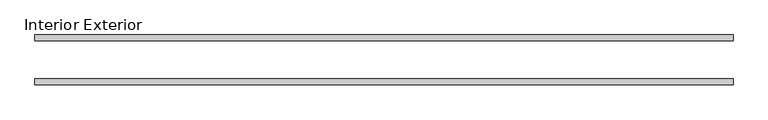
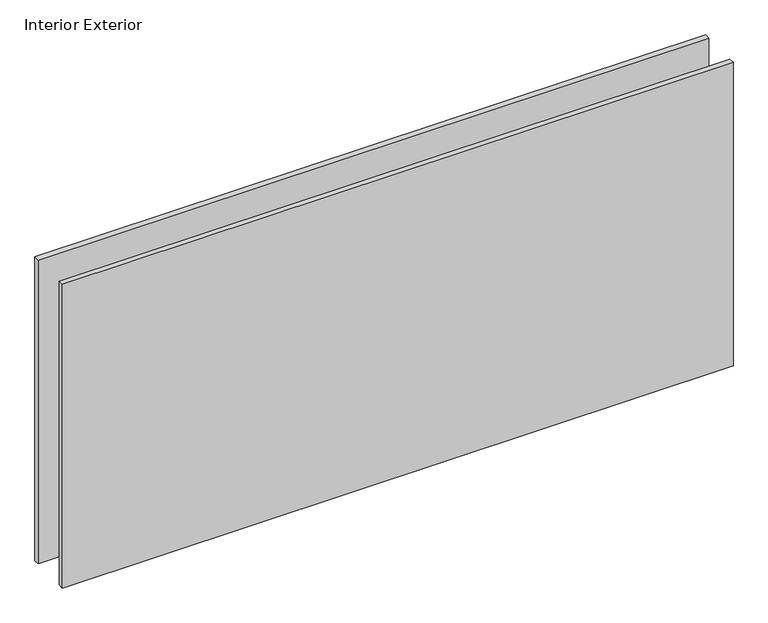
"""IFC4 building model written with IfcOpenShell, lengths in millimetres: plate geometry, Interior Exterior."""

import ifcopenshell
import ifcopenshell.guid

model = None  # the IFC model being written
_history = None  # IfcOwnerHistory: only IFC2X3 demands one
_inside = {}  # id of a spatial element -> (the spatial element, [elements in it])
_under = {}  # id of a project, library or spatial element -> (it, [spatial elements below it])
_declared = {}  # id of a project -> (the project, [libraries it declares])
_typed = {}  # id of a type object -> (the type object, [elements of that type])
_made_of = {}  # id of a material, layer set ... -> (it, [elements and type objects made of it])


def new_model(schema):
    """Start an empty IFC model of exactly this schema.

    Asked for "IFC4X3", IfcOpenShell would pick the latest addendum, in which some entities
    have other attributes; the version numbers below select the first issue.
    IFC2X3 requires an IfcOwnerHistory on every rooted entity: one is made here for all.
    """
    global model, _history
    if schema == "IFC4X3":
        model = ifcopenshell.file(schema_version=(4, 3, 0, 0))
    else:
        model = ifcopenshell.file(schema=schema)
    _inside.clear()
    _under.clear()
    _declared.clear()
    _typed.clear()
    _made_of.clear()
    _history = None
    if model.schema == "IFC2X3":
        org = make("IfcOrganization", Name="unknown")
        user = make(
            "IfcPersonAndOrganization",
            ThePerson=make("IfcPerson", FamilyName="unknown"),
            TheOrganization=org,
        )
        app = make(
            "IfcApplication",
            ApplicationDeveloper=org,
            Version="unknown",
            ApplicationFullName="unknown",
            ApplicationIdentifier="unknown",
        )
        _history = make(
            "IfcOwnerHistory",
            OwningUser=user,
            OwningApplication=app,
            ChangeAction="ADDED",
            CreationDate=0,
        )
    return model


def make(cls, **values):
    """One entity of the class cls with the attributes given. An attribute that is None is left unset."""
    return model.create_entity(
        cls, **{name: value for name, value in values.items() if value is not None}
    )


def rooted(cls, **values):
    """An entity with a GlobalId (a new one), such as an element, a storey or a relation."""
    return make(cls, GlobalId=ifcopenshell.guid.new(), OwnerHistory=_history, **values)


def si_unit(unit_type, name, prefix=None):
    """IfcSIUnit, for example si_unit("LENGTHUNIT", "METRE", prefix="MILLI")."""
    return make("IfcSIUnit", UnitType=unit_type, Prefix=prefix, Name=name)


def assignment(units):
    """IfcUnitAssignment: the units of a project."""
    return None if units is None else make("IfcUnitAssignment", Units=units)


def point(xyz):
    """IfcCartesianPoint."""
    return None if xyz is None else make("IfcCartesianPoint", Coordinates=xyz)


def direction(xyz):
    """IfcDirection."""
    return None if xyz is None else make("IfcDirection", DirectionRatios=xyz)


def frame(location, z_axis=None, x_axis=None):
    """IfcAxis2Placement3D, a coordinate frame: its origin and axes. An axis left out is left unset."""
    return make(
        "IfcAxis2Placement3D",
        Location=point(location),
        Axis=direction(z_axis),
        RefDirection=direction(x_axis),
    )


def origin():
    """The frame at (0, 0, 0) with its axes left unset."""
    return frame((0.0, 0.0, 0.0))


def origin_with_axes():
    """The frame at (0, 0, 0) with the z axis (0, 0, 1) and the x axis (1, 0, 0) written out."""
    return frame((0.0, 0.0, 0.0), z_axis=(0.0, 0.0, 1.0), x_axis=(1.0, 0.0, 0.0))


def place(relative_to, where):
    """IfcLocalPlacement: puts the frame where relative to a parent placement (None: the world)."""
    return make(
        "IfcLocalPlacement", PlacementRelTo=relative_to, RelativePlacement=where
    )


def context(
    kind, dimensions, precision=None, world=None, true_north=None, identifier=None
):
    """IfcGeometricRepresentationContext, for example the 3D "Model" context."""
    return make(
        "IfcGeometricRepresentationContext",
        ContextIdentifier=identifier,
        ContextType=kind,
        CoordinateSpaceDimension=dimensions,
        Precision=precision,
        WorldCoordinateSystem=world,
        TrueNorth=true_north,
    )


def project(units=None, contexts=None):
    """IfcProject with its units and contexts."""
    return rooted(
        "IfcProject",
        Name="project",
        RepresentationContexts=contexts,
        UnitsInContext=assignment(units),
    )


def spatial(cls, under=None, at=None, **own):
    """A site, building, storey or space (cls), placed at a placement, below another one or the project."""
    s = rooted(cls, ObjectPlacement=at, **own)
    if under is not None:
        _under.setdefault(under.id(), (under, []))[1].append(s)
    return s


def polyline(points):
    """IfcPolyline through the points."""
    return make("IfcPolyline", Points=[point(p) for p in points])


def outline(outer, holes=None, kind="AREA"):
    """IfcArbitraryClosedProfileDef: a profile drawn as a closed curve; with holes, ...WithVoids."""
    if holes is None:
        return make("IfcArbitraryClosedProfileDef", ProfileType=kind, OuterCurve=outer)
    return make(
        "IfcArbitraryProfileDefWithVoids",
        ProfileType=kind,
        OuterCurve=outer,
        InnerCurves=holes,
    )


def extrude(swept, where, along, depth):
    """IfcExtrudedAreaSolid: the profile swept, set in the frame where, extruded along a direction by depth."""
    return make(
        "IfcExtrudedAreaSolid",
        SweptArea=swept,
        Position=where,
        ExtrudedDirection=direction(along),
        Depth=depth,
    )


def shape(context_of_items, identifier, shape_type, items):
    """IfcShapeRepresentation: the items that make up one representation, for example the "Body"."""
    return make(
        "IfcShapeRepresentation",
        ContextOfItems=context_of_items,
        RepresentationIdentifier=identifier,
        RepresentationType=shape_type,
        Items=items,
    )


def source(mapping_origin, context_of_items, identifier, shape_type, items):
    """IfcRepresentationMap: a shape defined once, which mapped items show again and again."""
    return make(
        "IfcRepresentationMap",
        MappingOrigin=mapping_origin,
        MappedRepresentation=shape(context_of_items, identifier, shape_type, items),
    )


def transform(
    local_origin,
    x_axis=None,
    y_axis=None,
    z_axis=None,
    scale=None,
    scale2=None,
    scale3=None,
    uniform=True,
):
    """IfcCartesianTransformationOperator3D, or its non-uniform kind. x_axis, y_axis, z_axis: its Axis1, 2, 3."""
    if uniform:
        return make(
            "IfcCartesianTransformationOperator3D",
            Axis1=direction(x_axis),
            Axis2=direction(y_axis),
            LocalOrigin=point(local_origin),
            Scale=scale,
            Axis3=direction(z_axis),
        )
    return make(
        "IfcCartesianTransformationOperator3DnonUniform",
        Axis1=direction(x_axis),
        Axis2=direction(y_axis),
        LocalOrigin=point(local_origin),
        Scale=scale,
        Axis3=direction(z_axis),
        Scale2=scale2,
        Scale3=scale3,
    )


def mapped(mapping_source, mapping_target):
    """IfcMappedItem: shows the shape of a source again, moved by a transform."""
    return make(
        "IfcMappedItem", MappingSource=mapping_source, MappingTarget=mapping_target
    )


def made_of(thing, what):
    """Note that an element or type object is made of a material, layer set ...; save() writes the relation."""
    if what is not None:
        _made_of.setdefault(what.id(), (what, []))[1].append(thing)
    return thing


def element(
    cls,
    number,
    at=None,
    inside=None,
    cuts=None,
    type_object=None,
    material=None,
    context=None,
    identifier="Body",
    shape_type=None,
    held_by="IfcProductDefinitionShape",
    body=None,
    shapes=None,
    **own,
):
    """One element of the class cls, such as IfcWall. Its Tag is "e" and its number.

    at: its placement. inside: the storey or other place that contains it. cuts: it is an
    opening in that element (IfcRelVoidsElement). A single representation is given by context,
    identifier, shape_type and body (its items); several are given by shapes. held_by: the class
    of the entity that holds the representations. save() writes the other relations.
    """
    e = rooted(cls, Tag="e%d" % number, ObjectPlacement=at, **own)
    if body is not None:
        shapes = [shape(context, identifier, shape_type, body)]
    if shapes is not None:
        e.Representation = make(held_by, Representations=shapes)
    if inside is not None:
        _inside.setdefault(inside.id(), (inside, []))[1].append(e)
    if cuts is not None:
        rooted(
            "IfcRelVoidsElement", RelatingBuildingElement=cuts, RelatedOpeningElement=e
        )
    if type_object is not None:
        _typed.setdefault(type_object.id(), (type_object, []))[1].append(e)
    return made_of(e, material)


def aggregate(whole, parts):
    """IfcRelAggregates: a whole, such as a stair, and the parts it consists of."""
    return rooted("IfcRelAggregates", RelatingObject=whole, RelatedObjects=parts)


def save(model, path):
    """Write the relations noted so far, then the file.

    IfcRelAggregates (storeys below a building ...), IfcRelContainedInSpatialStructure (elements
    in a storey), IfcRelDefinesByType, IfcRelAssociatesMaterial and IfcRelDeclares: one each for
    every whole, place, type object, material and project.
    """
    for whole, parts in _under.values():
        aggregate(whole, parts)
    for where, things in _inside.values():
        rooted(
            "IfcRelContainedInSpatialStructure",
            RelatedElements=things,
            RelatingStructure=where,
        )
    for kind, things in _typed.values():
        rooted("IfcRelDefinesByType", RelatedObjects=things, RelatingType=kind)
    for what, things in _made_of.values():
        rooted("IfcRelAssociatesMaterial", RelatedObjects=things, RelatingMaterial=what)
    for by, libraries in _declared.values():
        rooted("IfcRelDeclares", RelatingContext=by, RelatedDefinitions=libraries)
    model.write(path)


def interior_exterior_3ac87fff(model_context):
    return source(origin(), model_context, "Body", "SweptSolid", [
        extrude(outline(polyline([(592.1375, -41.275), (-568.325, -41.275), (-568.325, -31.75), (592.1375, -31.75), (592.1375, -41.275)])), origin_with_axes(), (0.0, 0.0, 1.0), 555.625),
        extrude(outline(polyline([(592.1375, 41.275), (592.1375, 31.75), (-568.325, 31.75), (-568.325, 41.275), (592.1375, 41.275)])), origin_with_axes(), (0.0, 0.0, 1.0), 555.625),
    ])


if __name__ == "__main__":
    model = new_model("IFC4")
    model_context = context("Model", 3, world=origin())
    ifc_project = project(units=[si_unit("LENGTHUNIT", "METRE", prefix="MILLI")], contexts=[model_context])
    site = spatial("IfcSite", under=ifc_project)
    building = spatial("IfcBuilding", under=site)
    placement = place(None, origin())
    interior_exterior_shape = interior_exterior_3ac87fff(model_context)
    element("IfcPlate", 1, ObjectType="Interior Exterior", at=placement, inside=building, context=model_context, shape_type="MappedRepresentation", body=[
        mapped(interior_exterior_shape, transform((0.0, 0.0, 0.0), x_axis=(1.0, 0.0, 0.0), y_axis=(0.0, 1.0, 0.0), z_axis=(0.0, 0.0, 1.0))),
    ])
    save(model, "model.ifc")
